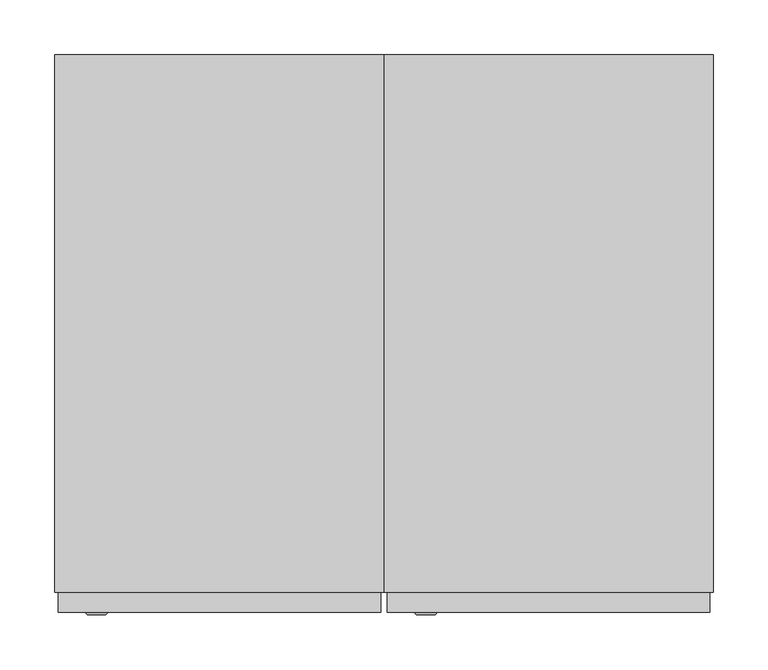
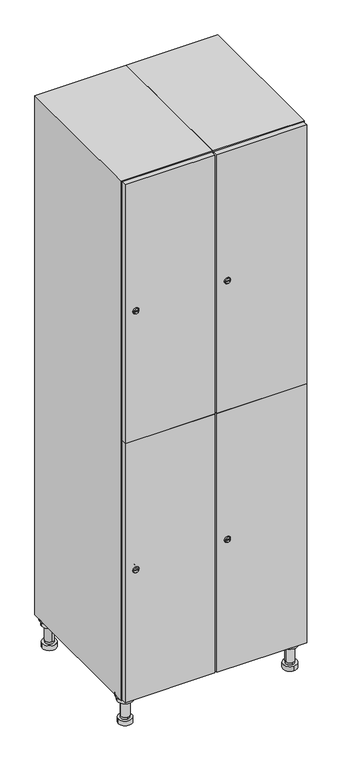
"""IFC4 building model written with IfcOpenShell, lengths in millimetres: furniture geometry."""

from ifc_helpers import new_model, si_unit, point, frame, frame_2d, origin, place, context, project, spatial, polyline, circle_curve, trimmed, segment, composite_curve, outline, extrude, faceted_brep, source, transform, mapped, element, save
from ifc_brep_helpers import plane_surface, cylinder_surface, revolved_surface, advanced_brep


def furniture_13d014a7(model_context):
    return source(origin(), model_context, "Body", "SolidModel", [
        advanced_brep(
        [(370.0, -201.0, 22.0), (370.0, -201.5, 16.0), (370.0, -228.5, 16.0), (370.0, -229.0, 22.0), (356.0, -215.0, 22.0), (384.0, -215.0, 22.0), (370.0, -192.5, 16.0), (370.0, -237.5, 16.0), (370.0, -192.5, 0.0), (370.0, -237.5, 0.0), (384.0, -215.0, 78.0), (356.0, -215.0, 78.0), (395.0, -215.0, 78.0), (345.0, -215.0, 78.0), (400.0, -215.0, 94.0), (340.0, -215.0, 94.0), (345.0, -215.0, 94.0), (395.0, -215.0, 94.0), (400.0, -215.0, 100.0), (340.0, -215.0, 100.0)],
        [
            (0, 1),
            (1, 2, circle_curve(frame((370.0, -215.0, 16.0), z_axis=(0.0, 0.0, 1.0), x_axis=(0.0, -1.0, 0.0)), 13.5)),
            (2, 3),
            (3, 4, circle_curve(frame((370.0, -215.0, 22.0), z_axis=(0.0, 0.0, -1.0), x_axis=(0.0, -1.0, 0.0)), 14.0)),
            (4, 0, circle_curve(frame((370.0, -215.0, 22.0), z_axis=(0.0, 0.0, -1.0), x_axis=(0.0, -1.0, 0.0)), 14.0)),
            (0, 5, circle_curve(frame((370.0, -215.0, 22.0), z_axis=(0.0, 0.0, -1.0), x_axis=(0.0, 1.0, 0.0)), 14.0)),
            (5, 3, circle_curve(frame((370.0, -215.0, 22.0), z_axis=(0.0, 0.0, -1.0), x_axis=(0.0, 1.0, 0.0)), 14.0)),
            (2, 1, circle_curve(frame((370.0, -215.0, 16.0), z_axis=(0.0, 0.0, 1.0), x_axis=(0.0, 1.0, 0.0)), 13.5)),
            (6, 7, circle_curve(frame((370.0, -215.0, 16.0), z_axis=(0.0, 0.0, 1.0), x_axis=(0.0, -1.0, 0.0)), 22.5)),
            (7, 6, circle_curve(frame((370.0, -215.0, 16.0), z_axis=(0.0, 0.0, 1.0), x_axis=(0.0, -1.0, 0.0)), 22.5)),
            (8, 9, circle_curve(frame((370.0, -215.0, 0.0), z_axis=(0.0, 0.0, -1.0), x_axis=(0.0, -1.0, 0.0)), 22.5)),
            (9, 8, circle_curve(frame((370.0, -215.0, 0.0), z_axis=(0.0, 0.0, -1.0), x_axis=(0.0, -1.0, 0.0)), 22.5)),
            (6, 8),
            (9, 7),
            (5, 10),
            (10, 11, circle_curve(frame((370.0, -215.0, 78.0), z_axis=(0.0, 0.0, -1.0), x_axis=(-1.0, 0.0, 0.0)), 14.0)),
            (11, 4),
            (11, 10, circle_curve(frame((370.0, -215.0, 78.0), z_axis=(0.0, 0.0, -1.0), x_axis=(-1.0, 0.0, 0.0)), 14.0)),
            (12, 13, circle_curve(frame((370.0, -215.0, 78.0), z_axis=(0.0, 0.0, -1.0), x_axis=(-1.0, 0.0, 0.0)), 25.0)),
            (13, 12, circle_curve(frame((370.0, -215.0, 78.0), z_axis=(0.0, 0.0, -1.0), x_axis=(-1.0, 0.0, 0.0)), 25.0)),
            (14, 15, circle_curve(frame((370.0, -215.0, 94.0), z_axis=(0.0, 0.0, -1.0), x_axis=(-1.0, 0.0, 0.0)), 30.0)),
            (15, 14, circle_curve(frame((370.0, -215.0, 94.0), z_axis=(0.0, 0.0, -1.0), x_axis=(-1.0, 0.0, 0.0)), 30.0)),
            (16, 17, circle_curve(frame((370.0, -215.0, 94.0), z_axis=(0.0, 0.0, 1.0), x_axis=(-1.0, 0.0, 0.0)), 25.0)),
            (17, 16, circle_curve(frame((370.0, -215.0, 94.0), z_axis=(0.0, 0.0, 1.0), x_axis=(-1.0, 0.0, 0.0)), 25.0)),
            (18, 19, circle_curve(frame((370.0, -215.0, 100.0), z_axis=(0.0, 0.0, 1.0), x_axis=(-1.0, 0.0, 0.0)), 30.0)),
            (19, 18, circle_curve(frame((370.0, -215.0, 100.0), z_axis=(0.0, 0.0, 1.0), x_axis=(-1.0, 0.0, 0.0)), 30.0)),
            (14, 18),
            (19, 15),
            (12, 17),
            (16, 13),
        ],
        [
            revolved_surface(polyline([(370.0, -201.5, 16.0), (370.0, -201.0, 22.0)]), (370.0, -215.0, -146.0), (0.0, 0.0, 1.0)),
            plane_surface(frame((370.0, 0.0, 16.0), z_axis=(0.0, 0.0, 1.0), x_axis=(0.0, -1.0, 0.0))),
            plane_surface(frame((370.0, 0.0, 0.0), z_axis=(0.0, 0.0, -1.0), x_axis=(0.0, -1.0, 0.0))),
            cylinder_surface(frame((370.0, -215.0, 16.0), z_axis=(0.0, 0.0, 1.0), x_axis=(0.0, -1.0, 0.0)), 22.5),
            cylinder_surface(frame((370.0, -215.0, 22.0), z_axis=(0.0, 0.0, -1.0), x_axis=(-1.0, 0.0, 0.0)), 14.0),
            plane_surface(frame((370.0, 0.0, 78.0), z_axis=(0.0, 0.0, -1.0), x_axis=(0.0, -1.0, 0.0))),
            plane_surface(frame((370.0, 0.0, 94.0), z_axis=(0.0, 0.0, -1.0), x_axis=(0.0, -1.0, 0.0))),
            plane_surface(frame((370.0, 0.0, 100.0), z_axis=(0.0, 0.0, 1.0), x_axis=(0.0, -1.0, 0.0))),
            cylinder_surface(frame((370.0, -215.0, 94.0), z_axis=(0.0, 0.0, -1.0), x_axis=(-1.0, 0.0, 0.0)), 30.0),
            cylinder_surface(frame((370.0, -215.0, 78.0), z_axis=(0.0, 0.0, -1.0), x_axis=(-1.0, 0.0, 0.0)), 25.0),
        ],
        [
            (0, [[1, 2, 3, 4, 5]]),
            (0, [[-1, 6, 7, -3, 8]]),
            (1, [[9, 10], [-2, -8]]),
            (2, [[11, 12]]),
            (3, [[-9, 13, -12, 14]]),
            (3, [[-10, -14, -11, -13]]),
            (4, [[15, 16, 17, -4, -7]]),
            (4, [[-15, -6, -5, -17, 18]]),
            (5, [[19, 20], [-16, -18]]),
            (6, [[21, 22], [23, 24]]),
            (7, [[25, 26]]),
            (8, [[-21, 27, -26, 28]]),
            (8, [[-22, -28, -25, -27]]),
            (9, [[-19, 29, -23, 30]]),
            (9, [[-20, -30, -24, -29]]),
        ],
    ),
        advanced_brep(
        [(-170.0, -201.0, 22.0), (-170.0, -201.5, 16.0), (-170.0, -228.5, 16.0), (-170.0, -229.0, 22.0), (-184.0, -215.0, 22.0), (-156.0, -215.0, 22.0), (-147.5, -215.0, 0.0), (-192.5, -215.0, 0.0), (-147.5, -215.0, 16.0), (-192.5, -215.0, 16.0), (-156.0, -215.0, 78.0), (-184.0, -215.0, 78.0), (-145.0, -215.0, 78.0), (-195.0, -215.0, 78.0), (-140.0, -215.0, 94.0), (-200.0, -215.0, 94.0), (-195.0, -215.0, 94.0), (-145.0, -215.0, 94.0), (-140.0, -215.0, 100.0), (-200.0, -215.0, 100.0)],
        [
            (0, 1),
            (1, 2, circle_curve(frame((-170.0, -215.0, 16.0), z_axis=(0.0, 0.0, 1.0), x_axis=(0.0, -1.0, 0.0)), 13.5)),
            (2, 3),
            (3, 4, circle_curve(frame((-170.0, -215.0, 22.0), z_axis=(0.0, 0.0, -1.0), x_axis=(0.0, -1.0, 0.0)), 14.0)),
            (4, 0, circle_curve(frame((-170.0, -215.0, 22.0), z_axis=(0.0, 0.0, -1.0), x_axis=(0.0, -1.0, 0.0)), 14.0)),
            (0, 5, circle_curve(frame((-170.0, -215.0, 22.0), z_axis=(0.0, 0.0, -1.0), x_axis=(0.0, 1.0, 0.0)), 14.0)),
            (5, 3, circle_curve(frame((-170.0, -215.0, 22.0), z_axis=(0.0, 0.0, -1.0), x_axis=(0.0, 1.0, 0.0)), 14.0)),
            (2, 1, circle_curve(frame((-170.0, -215.0, 16.0), z_axis=(0.0, 0.0, 1.0), x_axis=(0.0, 1.0, 0.0)), 13.5)),
            (6, 7, circle_curve(frame((-170.0, -215.0, 0.0), z_axis=(0.0, 0.0, -1.0), x_axis=(-1.0, 0.0, 0.0)), 22.5)),
            (7, 6, circle_curve(frame((-170.0, -215.0, 0.0), z_axis=(0.0, 0.0, -1.0), x_axis=(-1.0, 0.0, 0.0)), 22.5)),
            (8, 9, circle_curve(frame((-170.0, -215.0, 16.0), z_axis=(0.0, 0.0, 1.0), x_axis=(-1.0, 0.0, 0.0)), 22.5)),
            (9, 8, circle_curve(frame((-170.0, -215.0, 16.0), z_axis=(0.0, 0.0, 1.0), x_axis=(-1.0, 0.0, 0.0)), 22.5)),
            (6, 8),
            (9, 7),
            (5, 10),
            (10, 11, circle_curve(frame((-170.0, -215.0, 78.0), z_axis=(0.0, 0.0, -1.0), x_axis=(-1.0, 0.0, 0.0)), 14.0)),
            (11, 4),
            (11, 10, circle_curve(frame((-170.0, -215.0, 78.0), z_axis=(0.0, 0.0, -1.0), x_axis=(-1.0, 0.0, 0.0)), 14.0)),
            (12, 13, circle_curve(frame((-170.0, -215.0, 78.0), z_axis=(0.0, 0.0, -1.0), x_axis=(-1.0, 0.0, 0.0)), 25.0)),
            (13, 12, circle_curve(frame((-170.0, -215.0, 78.0), z_axis=(0.0, 0.0, -1.0), x_axis=(-1.0, 0.0, 0.0)), 25.0)),
            (14, 15, circle_curve(frame((-170.0, -215.0, 94.0), z_axis=(0.0, 0.0, -1.0), x_axis=(-1.0, 0.0, 0.0)), 30.0)),
            (15, 14, circle_curve(frame((-170.0, -215.0, 94.0), z_axis=(0.0, 0.0, -1.0), x_axis=(-1.0, 0.0, 0.0)), 30.0)),
            (16, 17, circle_curve(frame((-170.0, -215.0, 94.0), z_axis=(0.0, 0.0, 1.0), x_axis=(-1.0, 0.0, 0.0)), 25.0)),
            (17, 16, circle_curve(frame((-170.0, -215.0, 94.0), z_axis=(0.0, 0.0, 1.0), x_axis=(-1.0, 0.0, 0.0)), 25.0)),
            (18, 19, circle_curve(frame((-170.0, -215.0, 100.0), z_axis=(0.0, 0.0, 1.0), x_axis=(-1.0, 0.0, 0.0)), 30.0)),
            (19, 18, circle_curve(frame((-170.0, -215.0, 100.0), z_axis=(0.0, 0.0, 1.0), x_axis=(-1.0, 0.0, 0.0)), 30.0)),
            (14, 18),
            (19, 15),
            (12, 17),
            (16, 13),
        ],
        [
            revolved_surface(polyline([(-170.0, -201.5, 16.0), (-170.0, -201.0, 22.0)]), (-170.0, -215.0, -146.0), (0.0, 0.0, 1.0)),
            plane_surface(frame((-170.0, 0.0, 0.0), z_axis=(0.0, 0.0, -1.0), x_axis=(0.0, -1.0, 0.0))),
            plane_surface(frame((-170.0, 0.0, 16.0), z_axis=(0.0, 0.0, 1.0), x_axis=(0.0, -1.0, 0.0))),
            cylinder_surface(frame((-170.0, -215.0, 0.0), z_axis=(0.0, 0.0, -1.0), x_axis=(-1.0, 0.0, 0.0)), 22.5),
            cylinder_surface(frame((-170.0, -215.0, 22.0), z_axis=(0.0, 0.0, -1.0), x_axis=(-1.0, 0.0, 0.0)), 14.0),
            plane_surface(frame((-170.0, 0.0, 78.0), z_axis=(0.0, 0.0, -1.0), x_axis=(0.0, -1.0, 0.0))),
            plane_surface(frame((-170.0, 0.0, 94.0), z_axis=(0.0, 0.0, -1.0), x_axis=(0.0, -1.0, 0.0))),
            plane_surface(frame((-170.0, 0.0, 100.0), z_axis=(0.0, 0.0, 1.0), x_axis=(0.0, -1.0, 0.0))),
            cylinder_surface(frame((-170.0, -215.0, 94.0), z_axis=(0.0, 0.0, -1.0), x_axis=(-1.0, 0.0, 0.0)), 30.0),
            cylinder_surface(frame((-170.0, -215.0, 78.0), z_axis=(0.0, 0.0, -1.0), x_axis=(-1.0, 0.0, 0.0)), 25.0),
        ],
        [
            (0, [[1, 2, 3, 4, 5]]),
            (0, [[-1, 6, 7, -3, 8]]),
            (1, [[9, 10]]),
            (2, [[11, 12], [-2, -8]]),
            (3, [[-9, 13, -12, 14]]),
            (3, [[-10, -14, -11, -13]]),
            (4, [[15, 16, 17, -4, -7]]),
            (4, [[-15, -6, -5, -17, 18]]),
            (5, [[19, 20], [-16, -18]]),
            (6, [[21, 22], [23, 24]]),
            (7, [[25, 26]]),
            (8, [[-21, 27, -26, 28]]),
            (8, [[-22, -28, -25, -27]]),
            (9, [[-19, 29, -23, 30]]),
            (9, [[-20, -30, -24, -29]]),
        ],
    ),
        advanced_brep(
        [(383.5, 215.0, 16.0), (384.0, 215.0, 22.0), (356.0, 215.0, 22.0), (356.5, 215.0, 16.0), (392.5, 215.0, 0.0), (347.5, 215.0, 0.0), (392.5, 215.0, 16.0), (347.5, 215.0, 16.0), (384.0, 215.0, 78.0), (356.0, 215.0, 78.0), (395.0, 215.0, 78.0), (345.0, 215.0, 78.0), (400.0, 215.0, 94.0), (340.0, 215.0, 94.0), (345.0, 215.0, 94.0), (395.0, 215.0, 94.0), (400.0, 215.0, 100.0), (340.0, 215.0, 100.0)],
        [
            (0, 1),
            (1, 2, circle_curve(frame((370.0, 215.0, 22.0), z_axis=(0.0, 0.0, -1.0), x_axis=(-1.0, 0.0, 0.0)), 14.0)),
            (2, 3),
            (3, 0, circle_curve(frame((370.0, 215.0, 16.0), z_axis=(0.0, 0.0, 1.0), x_axis=(-1.0, 0.0, 0.0)), 13.5)),
            (0, 3, circle_curve(frame((370.0, 215.0, 16.0), z_axis=(0.0, 0.0, 1.0), x_axis=(1.0, 0.0, 0.0)), 13.5)),
            (2, 1, circle_curve(frame((370.0, 215.0, 22.0), z_axis=(0.0, 0.0, -1.0), x_axis=(1.0, 0.0, 0.0)), 14.0)),
            (4, 5, circle_curve(frame((370.0, 215.0, 0.0), z_axis=(0.0, 0.0, -1.0), x_axis=(-1.0, 0.0, 0.0)), 22.5)),
            (5, 4, circle_curve(frame((370.0, 215.0, 0.0), z_axis=(0.0, 0.0, -1.0), x_axis=(-1.0, 0.0, 0.0)), 22.5)),
            (6, 7, circle_curve(frame((370.0, 215.0, 16.0), z_axis=(0.0, 0.0, 1.0), x_axis=(-1.0, 0.0, 0.0)), 22.5)),
            (7, 6, circle_curve(frame((370.0, 215.0, 16.0), z_axis=(0.0, 0.0, 1.0), x_axis=(-1.0, 0.0, 0.0)), 22.5)),
            (4, 6),
            (7, 5),
            (1, 8),
            (8, 9, circle_curve(frame((370.0, 215.0, 78.0), z_axis=(0.0, 0.0, -1.0), x_axis=(-1.0, 0.0, 0.0)), 14.0)),
            (9, 2),
            (9, 8, circle_curve(frame((370.0, 215.0, 78.0), z_axis=(0.0, 0.0, -1.0), x_axis=(-1.0, 0.0, 0.0)), 14.0)),
            (10, 11, circle_curve(frame((370.0, 215.0, 78.0), z_axis=(0.0, 0.0, -1.0), x_axis=(-1.0, 0.0, 0.0)), 25.0)),
            (11, 10, circle_curve(frame((370.0, 215.0, 78.0), z_axis=(0.0, 0.0, -1.0), x_axis=(-1.0, 0.0, 0.0)), 25.0)),
            (12, 13, circle_curve(frame((370.0, 215.0, 94.0), z_axis=(0.0, 0.0, -1.0), x_axis=(-1.0, 0.0, 0.0)), 30.0)),
            (13, 12, circle_curve(frame((370.0, 215.0, 94.0), z_axis=(0.0, 0.0, -1.0), x_axis=(-1.0, 0.0, 0.0)), 30.0)),
            (14, 15, circle_curve(frame((370.0, 215.0, 94.0), z_axis=(0.0, 0.0, 1.0), x_axis=(-1.0, 0.0, 0.0)), 25.0)),
            (15, 14, circle_curve(frame((370.0, 215.0, 94.0), z_axis=(0.0, 0.0, 1.0), x_axis=(-1.0, 0.0, 0.0)), 25.0)),
            (16, 17, circle_curve(frame((370.0, 215.0, 100.0), z_axis=(0.0, 0.0, 1.0), x_axis=(-1.0, 0.0, 0.0)), 30.0)),
            (17, 16, circle_curve(frame((370.0, 215.0, 100.0), z_axis=(0.0, 0.0, 1.0), x_axis=(-1.0, 0.0, 0.0)), 30.0)),
            (12, 16),
            (17, 13),
            (10, 15),
            (14, 11),
        ],
        [
            revolved_surface(polyline([(383.5, 215.0, 16.0), (384.0, 215.0, 22.0)]), (370.0, 215.0, -146.0), (0.0, 0.0, 1.0)),
            plane_surface(frame((370.0, 0.0, 0.0), z_axis=(0.0, 0.0, -1.0), x_axis=(0.0, -1.0, 0.0))),
            plane_surface(frame((370.0, 0.0, 16.0), z_axis=(0.0, 0.0, 1.0), x_axis=(0.0, -1.0, 0.0))),
            cylinder_surface(frame((370.0, 215.0, 0.0), z_axis=(0.0, 0.0, -1.0), x_axis=(-1.0, 0.0, 0.0)), 22.5),
            cylinder_surface(frame((370.0, 215.0, 22.0), z_axis=(0.0, 0.0, -1.0), x_axis=(-1.0, 0.0, 0.0)), 14.0),
            plane_surface(frame((370.0, 0.0, 78.0), z_axis=(0.0, 0.0, -1.0), x_axis=(0.0, -1.0, 0.0))),
            plane_surface(frame((370.0, 0.0, 94.0), z_axis=(0.0, 0.0, -1.0), x_axis=(0.0, -1.0, 0.0))),
            plane_surface(frame((370.0, 0.0, 100.0), z_axis=(0.0, 0.0, 1.0), x_axis=(0.0, -1.0, 0.0))),
            cylinder_surface(frame((370.0, 215.0, 94.0), z_axis=(0.0, 0.0, -1.0), x_axis=(-1.0, 0.0, 0.0)), 30.0),
            cylinder_surface(frame((370.0, 215.0, 78.0), z_axis=(0.0, 0.0, -1.0), x_axis=(-1.0, 0.0, 0.0)), 25.0),
        ],
        [
            (0, [[1, 2, 3, 4]]),
            (0, [[-1, 5, -3, 6]]),
            (1, [[7, 8]]),
            (2, [[9, 10], [-4, -5]]),
            (3, [[-7, 11, -10, 12]]),
            (3, [[-8, -12, -9, -11]]),
            (4, [[13, 14, 15, -2]]),
            (4, [[-13, -6, -15, 16]]),
            (5, [[17, 18], [-14, -16]]),
            (6, [[19, 20], [21, 22]]),
            (7, [[23, 24]]),
            (8, [[-19, 25, -24, 26]]),
            (8, [[-20, -26, -23, -25]]),
            (9, [[-17, 27, -21, 28]]),
            (9, [[-18, -28, -22, -27]]),
        ],
    ),
        advanced_brep(
        [(-156.5, 215.0, 16.0), (-156.0, 215.0, 22.0), (-170.0, 201.0, 22.0), (-184.0, 215.0, 22.0), (-183.5, 215.0, 16.0), (-170.0, 229.0, 22.0), (-147.5, 215.0, 0.0), (-192.5, 215.0, 0.0), (-147.5, 215.0, 16.0), (-192.5, 215.0, 16.0), (-170.0, 229.0, 78.0), (-170.0, 201.0, 78.0), (-145.0, 215.0, 78.0), (-195.0, 215.0, 78.0), (-140.0, 215.0, 94.0), (-200.0, 215.0, 94.0), (-195.0, 215.0, 94.0), (-145.0, 215.0, 94.0), (-140.0, 215.0, 100.0), (-200.0, 215.0, 100.0)],
        [
            (0, 1),
            (1, 2, circle_curve(frame((-170.0, 215.0, 22.0), z_axis=(0.0, 0.0, -1.0), x_axis=(-1.0, 0.0, 0.0)), 14.0)),
            (2, 3, circle_curve(frame((-170.0, 215.0, 22.0), z_axis=(0.0, 0.0, -1.0), x_axis=(-1.0, 0.0, 0.0)), 14.0)),
            (3, 4),
            (4, 0, circle_curve(frame((-170.0, 215.0, 16.0), z_axis=(0.0, 0.0, 1.0), x_axis=(-1.0, 0.0, 0.0)), 13.5)),
            (0, 4, circle_curve(frame((-170.0, 215.0, 16.0), z_axis=(0.0, 0.0, 1.0), x_axis=(1.0, 0.0, 0.0)), 13.5)),
            (3, 5, circle_curve(frame((-170.0, 215.0, 22.0), z_axis=(0.0, 0.0, -1.0), x_axis=(1.0, 0.0, 0.0)), 14.0)),
            (5, 1, circle_curve(frame((-170.0, 215.0, 22.0), z_axis=(0.0, 0.0, -1.0), x_axis=(1.0, 0.0, 0.0)), 14.0)),
            (6, 7, circle_curve(frame((-170.0, 215.0, 0.0), z_axis=(0.0, 0.0, -1.0), x_axis=(-1.0, 0.0, 0.0)), 22.5)),
            (7, 6, circle_curve(frame((-170.0, 215.0, 0.0), z_axis=(0.0, 0.0, -1.0), x_axis=(-1.0, 0.0, 0.0)), 22.5)),
            (8, 9, circle_curve(frame((-170.0, 215.0, 16.0), z_axis=(0.0, 0.0, 1.0), x_axis=(-1.0, 0.0, 0.0)), 22.5)),
            (9, 8, circle_curve(frame((-170.0, 215.0, 16.0), z_axis=(0.0, 0.0, 1.0), x_axis=(-1.0, 0.0, 0.0)), 22.5)),
            (6, 8),
            (9, 7),
            (10, 5),
            (2, 11),
            (11, 10, circle_curve(frame((-170.0, 215.0, 78.0), z_axis=(0.0, 0.0, -1.0), x_axis=(0.0, -1.0, 0.0)), 14.0)),
            (10, 11, circle_curve(frame((-170.0, 215.0, 78.0), z_axis=(0.0, 0.0, -1.0), x_axis=(0.0, -1.0, 0.0)), 14.0)),
            (12, 13, circle_curve(frame((-170.0, 215.0, 78.0), z_axis=(0.0, 0.0, -1.0), x_axis=(-1.0, 0.0, 0.0)), 25.0)),
            (13, 12, circle_curve(frame((-170.0, 215.0, 78.0), z_axis=(0.0, 0.0, -1.0), x_axis=(-1.0, 0.0, 0.0)), 25.0)),
            (14, 15, circle_curve(frame((-170.0, 215.0, 94.0), z_axis=(0.0, 0.0, -1.0), x_axis=(-1.0, 0.0, 0.0)), 30.0)),
            (15, 14, circle_curve(frame((-170.0, 215.0, 94.0), z_axis=(0.0, 0.0, -1.0), x_axis=(-1.0, 0.0, 0.0)), 30.0)),
            (16, 17, circle_curve(frame((-170.0, 215.0, 94.0), z_axis=(0.0, 0.0, 1.0), x_axis=(-1.0, 0.0, 0.0)), 25.0)),
            (17, 16, circle_curve(frame((-170.0, 215.0, 94.0), z_axis=(0.0, 0.0, 1.0), x_axis=(-1.0, 0.0, 0.0)), 25.0)),
            (18, 19, circle_curve(frame((-170.0, 215.0, 100.0), z_axis=(0.0, 0.0, 1.0), x_axis=(-1.0, 0.0, 0.0)), 30.0)),
            (19, 18, circle_curve(frame((-170.0, 215.0, 100.0), z_axis=(0.0, 0.0, 1.0), x_axis=(-1.0, 0.0, 0.0)), 30.0)),
            (14, 18),
            (19, 15),
            (12, 17),
            (16, 13),
        ],
        [
            revolved_surface(polyline([(-156.5, 215.0, 16.0), (-156.0, 215.0, 22.0)]), (-170.0, 215.0, -146.0), (0.0, 0.0, 1.0)),
            plane_surface(frame((-170.0, 0.0, 0.0), z_axis=(0.0, 0.0, -1.0), x_axis=(0.0, -1.0, 0.0))),
            plane_surface(frame((-170.0, 0.0, 16.0), z_axis=(0.0, 0.0, 1.0), x_axis=(0.0, -1.0, 0.0))),
            cylinder_surface(frame((-170.0, 215.0, 0.0), z_axis=(0.0, 0.0, -1.0), x_axis=(-1.0, 0.0, 0.0)), 22.5),
            cylinder_surface(frame((-170.0, 215.0, 78.0), z_axis=(0.0, 0.0, 1.0), x_axis=(0.0, -1.0, 0.0)), 14.0),
            plane_surface(frame((-170.0, 0.0, 78.0), z_axis=(0.0, 0.0, -1.0), x_axis=(0.0, -1.0, 0.0))),
            plane_surface(frame((-170.0, 0.0, 94.0), z_axis=(0.0, 0.0, -1.0), x_axis=(0.0, -1.0, 0.0))),
            plane_surface(frame((-170.0, 0.0, 100.0), z_axis=(0.0, 0.0, 1.0), x_axis=(0.0, -1.0, 0.0))),
            cylinder_surface(frame((-170.0, 215.0, 94.0), z_axis=(0.0, 0.0, -1.0), x_axis=(-1.0, 0.0, 0.0)), 30.0),
            cylinder_surface(frame((-170.0, 215.0, 78.0), z_axis=(0.0, 0.0, -1.0), x_axis=(-1.0, 0.0, 0.0)), 25.0),
        ],
        [
            (0, [[1, 2, 3, 4, 5]]),
            (0, [[-1, 6, -4, 7, 8]]),
            (1, [[9, 10]]),
            (2, [[11, 12], [-5, -6]]),
            (3, [[-9, 13, -12, 14]]),
            (3, [[-10, -14, -11, -13]]),
            (4, [[15, -7, -3, 16, 17]]),
            (4, [[-15, 18, -16, -2, -8]]),
            (5, [[19, 20], [-17, -18]]),
            (6, [[21, 22], [23, 24]]),
            (7, [[25, 26]]),
            (8, [[-21, 27, -26, 28]]),
            (8, [[-22, -28, -25, -27]]),
            (9, [[-19, 29, -23, 30]]),
            (9, [[-20, -30, -24, -29]]),
        ],
    ),
        extrude(outline(composite_curve([segment(trimmed(circle_curve(frame_2d((551.5, 111.2010534)), 7.0), [point((558.5, 111.2010534))], [point((544.5, 111.2010534))], False, "CARTESIAN"), True, "CONTINUOUS"), segment(polyline([(544.5, 111.2010534), (544.5, 139.2010534)]), True, "CONTINUOUS"), segment(trimmed(circle_curve(frame_2d((551.5, 139.2010534)), 7.0), [point((544.5, 139.2010534))], [point((558.5, 139.2010534))], False, "CARTESIAN"), True, "CONTINUOUS"), segment(polyline([(558.5, 139.2010534), (558.5, 111.2010534)]), True, "CONTINUOUS")], self_intersect=False)), frame((0.0, -245.0, 0.0), z_axis=(0.0, 1.0, 0.0), x_axis=(0.0, 0.0, 1.0)), (0.0, 0.0, 1.0), 2.0),
        advanced_brep(
        [(146.5, -265.2, 551.5), (129.5, -265.2, 551.5), (133.0, -265.2, 550.25), (133.0, -265.2, 552.75), (143.0, -265.2, 552.75), (143.0, -265.2, 550.25), (148.5, -263.0, 551.5), (127.5, -263.0, 551.5), (133.0, -263.0, 552.75), (133.0, -263.0, 550.25), (143.0, -263.0, 550.25), (143.0, -263.0, 552.75)],
        [
            (0, 1, circle_curve(frame((138.0, -265.2, 551.5), z_axis=(0.0, -1.0, 0.0), x_axis=(1.0, 0.0, 0.0)), 8.5)),
            (1, 0, circle_curve(frame((138.0, -265.2, 551.5), z_axis=(0.0, -1.0, 0.0), x_axis=(-1.0, 0.0, 0.0)), 8.5)),
            (2, 3),
            (3, 4),
            (4, 5),
            (5, 2),
            (6, 7, circle_curve(frame((138.0, -263.0, 551.5), z_axis=(0.0, 1.0, 0.0), x_axis=(-1.0, 0.0, 0.0)), 10.5)),
            (7, 6, circle_curve(frame((138.0, -263.0, 551.5), z_axis=(0.0, 1.0, 0.0), x_axis=(1.0, 0.0, 0.0)), 10.5)),
            (8, 9),
            (9, 10),
            (10, 11),
            (11, 8),
            (0, 6),
            (7, 1),
            (8, 3),
            (2, 9),
            (11, 4),
            (10, 5),
        ],
        [
            plane_surface(frame((138.0, -265.2, 551.5), z_axis=(0.0, -1.0, 0.0), x_axis=(0.0, 0.0, 1.0))),
            plane_surface(frame((138.0, -263.0, 551.5), z_axis=(0.0, 1.0, 0.0), x_axis=(0.0, 0.0, 1.0))),
            revolved_surface(polyline([(146.5, -265.2, 551.5), (148.5, -263.0, 551.5)]), (138.0, -274.55, 551.5), (0.0, 1.0, 0.0)),
            revolved_surface(polyline([(129.5, -265.2, 551.5), (127.5, -263.0, 551.5)]), (138.0, -274.55, 551.5), (0.0, 1.0, 0.0)),
            plane_surface(frame((133.0, -263.0, 550.25), z_axis=(1.0, 0.0, 0.0), x_axis=(0.0, -1.0, 0.0))),
            plane_surface(frame((133.0, -263.0, 552.75), z_axis=(0.0, 0.0, -1.0), x_axis=(0.0, -1.0, 0.0))),
            plane_surface(frame((143.0, -263.0, 552.75), z_axis=(-1.0, 0.0, 0.0), x_axis=(0.0, -1.0, 0.0))),
            plane_surface(frame((143.0, -263.0, 550.25), z_axis=(0.0, 0.0, 1.0), x_axis=(0.0, -1.0, 0.0))),
        ],
        [
            (0, [[1, 2], [3, 4, 5, 6]]),
            (1, [[7, 8], [9, 10, 11, 12]]),
            (2, [[-1, 13, -8, 14]]),
            (3, [[-2, -14, -7, -13]]),
            (4, [[15, -3, 16, -9]]),
            (5, [[-15, -12, 17, -4]]),
            (6, [[-17, -11, 18, -5]]),
            (7, [[-16, -6, -18, -10]]),
        ],
    ),
        extrude(outline(composite_curve([segment(trimmed(circle_curve(frame_2d((1448.5, 111.2010534)), 7.0), [point((1455.5, 111.2010534))], [point((1441.5, 111.2010534))], False, "CARTESIAN"), True, "CONTINUOUS"), segment(polyline([(1441.5, 111.2010534), (1441.5, 139.2010534)]), True, "CONTINUOUS"), segment(trimmed(circle_curve(frame_2d((1448.5, 139.2010534)), 7.0), [point((1441.5, 139.2010534))], [point((1455.5, 139.2010534))], False, "CARTESIAN"), True, "CONTINUOUS"), segment(polyline([(1455.5, 139.2010534), (1455.5, 111.2010534)]), True, "CONTINUOUS")], self_intersect=False)), frame((0.0, -245.0, 0.0), z_axis=(0.0, 1.0, 0.0), x_axis=(0.0, 0.0, 1.0)), (0.0, 0.0, 1.0), 2.0),
        advanced_brep(
        [(146.5, -265.2, 1448.5), (129.5, -265.2, 1448.5), (133.0, -265.2, 1447.25), (133.0, -265.2, 1449.75), (143.0, -265.2, 1449.75), (143.0, -265.2, 1447.25), (148.5, -263.0, 1448.5), (127.5, -263.0, 1448.5), (133.0, -263.0, 1449.75), (133.0, -263.0, 1447.25), (143.0, -263.0, 1447.25), (143.0, -263.0, 1449.75)],
        [
            (0, 1, circle_curve(frame((138.0, -265.2, 1448.5), z_axis=(0.0, -1.0, 0.0), x_axis=(1.0, 0.0, 0.0)), 8.5)),
            (1, 0, circle_curve(frame((138.0, -265.2, 1448.5), z_axis=(0.0, -1.0, 0.0), x_axis=(-1.0, 0.0, 0.0)), 8.5)),
            (2, 3),
            (3, 4),
            (4, 5),
            (5, 2),
            (6, 7, circle_curve(frame((138.0, -263.0, 1448.5), z_axis=(0.0, 1.0, 0.0), x_axis=(-1.0, 0.0, 0.0)), 10.5)),
            (7, 6, circle_curve(frame((138.0, -263.0, 1448.5), z_axis=(0.0, 1.0, 0.0), x_axis=(1.0, 0.0, 0.0)), 10.5)),
            (8, 9),
            (9, 10),
            (10, 11),
            (11, 8),
            (0, 6),
            (7, 1),
            (8, 3),
            (2, 9),
            (11, 4),
            (10, 5),
        ],
        [
            plane_surface(frame((138.0, -265.2, 1448.5), z_axis=(0.0, -1.0, 0.0), x_axis=(0.0, 0.0, 1.0))),
            plane_surface(frame((138.0, -263.0, 1448.5), z_axis=(0.0, 1.0, 0.0), x_axis=(0.0, 0.0, 1.0))),
            revolved_surface(polyline([(146.5, -265.2, 1448.5), (148.5, -263.0, 1448.5)]), (138.0, -274.55, 1448.5), (0.0, 1.0, 0.0)),
            revolved_surface(polyline([(129.5, -265.2, 1448.5), (127.5, -263.0, 1448.5)]), (138.0, -274.55, 1448.5), (0.0, 1.0, 0.0)),
            plane_surface(frame((133.0, -263.0, 1447.25), z_axis=(1.0, 0.0, 0.0), x_axis=(0.0, -1.0, 0.0))),
            plane_surface(frame((133.0, -263.0, 1449.75), z_axis=(0.0, 0.0, -1.0), x_axis=(0.0, -1.0, 0.0))),
            plane_surface(frame((143.0, -263.0, 1449.75), z_axis=(-1.0, 0.0, 0.0), x_axis=(0.0, -1.0, 0.0))),
            plane_surface(frame((143.0, -263.0, 1447.25), z_axis=(0.0, 0.0, 1.0), x_axis=(0.0, -1.0, 0.0))),
        ],
        [
            (0, [[1, 2], [3, 4, 5, 6]]),
            (1, [[7, 8], [9, 10, 11, 12]]),
            (2, [[-1, 13, -8, 14]]),
            (3, [[-2, -14, -7, -13]]),
            (4, [[15, -3, 16, -9]]),
            (5, [[-15, -12, 17, -4]]),
            (6, [[-17, -11, 18, -5]]),
            (7, [[-16, -6, -18, -10]]),
        ],
    ),
        extrude(outline(polyline([(103.0, -263.0), (103.0, -245.0), (397.0, -245.0), (397.0, -263.0), (103.0, -263.0)])), frame((0.0, 0.0, 103.0), z_axis=(0.0, 0.0, 1.0), x_axis=(1.0, 0.0, 0.0)), (0.0, 0.0, 1.0), 896.5),
        extrude(outline(polyline([(397.0, -245.0), (397.0, -263.0), (103.0, -263.0), (103.0, -245.0), (397.0, -245.0)])), frame((0.0, 0.0, 1000.5), z_axis=(0.0, 0.0, 1.0), x_axis=(1.0, 0.0, 0.0)), (0.0, 0.0, 1.0), 896.5),
        extrude(outline(polyline([(382.0, 227.0), (382.0, -227.0), (118.0, -227.0), (118.0, 227.0), (382.0, 227.0)])), frame((0.0, 0.0, 991.0), z_axis=(0.0, 0.0, 1.0), x_axis=(1.0, 0.0, 0.0)), (0.0, 0.0, 1.0), 18.0),
        faceted_brep([(400.0, -245.0, 100.0), (400.0, -245.0, 1900.0), (100.0, -245.0, 1900.0), (100.0, -245.0, 100.0), (382.0, -245.0, 1882.0), (382.0, -245.0, 118.0), (118.0, -245.0, 118.0), (118.0, -245.0, 1882.0), (400.0, 245.0, 100.0), (100.0, 245.0, 100.0), (400.0, 245.0, 1900.0), (100.0, 245.0, 1900.0), (382.0, 227.0, 1882.0), (382.0, 227.0, 118.0), (100.0, 245.0, 1882.0), (118.0, 227.0, 1882.0), (118.0, 227.0, 118.0)], [[[0, 1, 2, 3], [4, 5, 6, 7]], [[8, 0, 3, 9]], [[1, 0, 8, 10]], [[1, 10, 11, 2]], [[4, 12, 13, 5]], [[9, 3, 2, 11, 14]], [[10, 8, 9, 14, 11]], [[12, 15, 16, 13]], [[15, 7, 6, 16]], [[4, 7, 15, 12]], [[6, 5, 13, 16]]]),
        extrude(outline(composite_curve([segment(trimmed(circle_curve(frame_2d((551.5, -188.7989466)), 7.0), [point((558.5, -188.7989466))], [point((544.5, -188.7989466))], False, "CARTESIAN"), True, "CONTINUOUS"), segment(polyline([(544.5, -188.7989466), (544.5, -160.7989466)]), True, "CONTINUOUS"), segment(trimmed(circle_curve(frame_2d((551.5, -160.7989466)), 7.0), [point((544.5, -160.7989466))], [point((558.5, -160.7989466))], False, "CARTESIAN"), True, "CONTINUOUS"), segment(polyline([(558.5, -160.7989466), (558.5, -188.7989466)]), True, "CONTINUOUS")], self_intersect=False)), frame((0.0, -245.0, 0.0), z_axis=(0.0, 1.0, 0.0), x_axis=(0.0, 0.0, 1.0)), (0.0, 0.0, 1.0), 2.0),
        advanced_brep(
        [(-153.5, -265.2, 551.5), (-170.5, -265.2, 551.5), (-167.0, -265.2, 550.25), (-167.0, -265.2, 552.75), (-157.0, -265.2, 552.75), (-157.0, -265.2, 550.25), (-151.5, -263.0, 551.5), (-172.5, -263.0, 551.5), (-167.0, -263.0, 552.75), (-167.0, -263.0, 550.25), (-157.0, -263.0, 550.25), (-157.0, -263.0, 552.75)],
        [
            (0, 1, circle_curve(frame((-162.0, -265.2, 551.5), z_axis=(0.0, -1.0, 0.0), x_axis=(1.0, 0.0, 0.0)), 8.5)),
            (1, 0, circle_curve(frame((-162.0, -265.2, 551.5), z_axis=(0.0, -1.0, 0.0), x_axis=(-1.0, 0.0, 0.0)), 8.5)),
            (2, 3),
            (3, 4),
            (4, 5),
            (5, 2),
            (6, 7, circle_curve(frame((-162.0, -263.0, 551.5), z_axis=(0.0, 1.0, 0.0), x_axis=(-1.0, 0.0, 0.0)), 10.5)),
            (7, 6, circle_curve(frame((-162.0, -263.0, 551.5), z_axis=(0.0, 1.0, 0.0), x_axis=(1.0, 0.0, 0.0)), 10.5)),
            (8, 9),
            (9, 10),
            (10, 11),
            (11, 8),
            (0, 6),
            (7, 1),
            (8, 3),
            (2, 9),
            (11, 4),
            (10, 5),
        ],
        [
            plane_surface(frame((-162.0, -265.2, 551.5), z_axis=(0.0, -1.0, 0.0), x_axis=(0.0, 0.0, 1.0))),
            plane_surface(frame((-162.0, -263.0, 551.5), z_axis=(0.0, 1.0, 0.0), x_axis=(0.0, 0.0, 1.0))),
            revolved_surface(polyline([(-153.5, -265.2, 551.5), (-151.5, -263.0, 551.5)]), (-162.0, -274.55, 551.5), (0.0, 1.0, 0.0)),
            revolved_surface(polyline([(-170.5, -265.2, 551.5), (-172.5, -263.0, 551.5)]), (-162.0, -274.55, 551.5), (0.0, 1.0, 0.0)),
            plane_surface(frame((-167.0, -263.0, 550.25), z_axis=(1.0, 0.0, 0.0), x_axis=(0.0, -1.0, 0.0))),
            plane_surface(frame((-167.0, -263.0, 552.75), z_axis=(0.0, 0.0, -1.0), x_axis=(0.0, -1.0, 0.0))),
            plane_surface(frame((-157.0, -263.0, 552.75), z_axis=(-1.0, 0.0, 0.0), x_axis=(0.0, -1.0, 0.0))),
            plane_surface(frame((-157.0, -263.0, 550.25), z_axis=(0.0, 0.0, 1.0), x_axis=(0.0, -1.0, 0.0))),
        ],
        [
            (0, [[1, 2], [3, 4, 5, 6]]),
            (1, [[7, 8], [9, 10, 11, 12]]),
            (2, [[-1, 13, -8, 14]]),
            (3, [[-2, -14, -7, -13]]),
            (4, [[15, -3, 16, -9]]),
            (5, [[-15, -12, 17, -4]]),
            (6, [[-17, -11, 18, -5]]),
            (7, [[-16, -6, -18, -10]]),
        ],
    ),
        extrude(outline(composite_curve([segment(trimmed(circle_curve(frame_2d((1448.5, -188.7989466)), 7.0), [point((1455.5, -188.7989466))], [point((1441.5, -188.7989466))], False, "CARTESIAN"), True, "CONTINUOUS"), segment(polyline([(1441.5, -188.7989466), (1441.5, -160.7989466)]), True, "CONTINUOUS"), segment(trimmed(circle_curve(frame_2d((1448.5, -160.7989466)), 7.0), [point((1441.5, -160.7989466))], [point((1455.5, -160.7989466))], False, "CARTESIAN"), True, "CONTINUOUS"), segment(polyline([(1455.5, -160.7989466), (1455.5, -188.7989466)]), True, "CONTINUOUS")], self_intersect=False)), frame((0.0, -245.0, 0.0), z_axis=(0.0, 1.0, 0.0), x_axis=(0.0, 0.0, 1.0)), (0.0, 0.0, 1.0), 2.0),
        advanced_brep(
        [(-153.5, -265.2, 1448.5), (-170.5, -265.2, 1448.5), (-167.0, -265.2, 1447.25), (-167.0, -265.2, 1449.75), (-157.0, -265.2, 1449.75), (-157.0, -265.2, 1447.25), (-151.5, -263.0, 1448.5), (-172.5, -263.0, 1448.5), (-167.0, -263.0, 1449.75), (-167.0, -263.0, 1447.25), (-157.0, -263.0, 1447.25), (-157.0, -263.0, 1449.75)],
        [
            (0, 1, circle_curve(frame((-162.0, -265.2, 1448.5), z_axis=(0.0, -1.0, 0.0), x_axis=(1.0, 0.0, 0.0)), 8.5)),
            (1, 0, circle_curve(frame((-162.0, -265.2, 1448.5), z_axis=(0.0, -1.0, 0.0), x_axis=(-1.0, 0.0, 0.0)), 8.5)),
            (2, 3),
            (3, 4),
            (4, 5),
            (5, 2),
            (6, 7, circle_curve(frame((-162.0, -263.0, 1448.5), z_axis=(0.0, 1.0, 0.0), x_axis=(-1.0, 0.0, 0.0)), 10.5)),
            (7, 6, circle_curve(frame((-162.0, -263.0, 1448.5), z_axis=(0.0, 1.0, 0.0), x_axis=(1.0, 0.0, 0.0)), 10.5)),
            (8, 9),
            (9, 10),
            (10, 11),
            (11, 8),
            (0, 6),
            (7, 1),
            (8, 3),
            (2, 9),
            (11, 4),
            (10, 5),
        ],
        [
            plane_surface(frame((-162.0, -265.2, 1448.5), z_axis=(0.0, -1.0, 0.0), x_axis=(0.0, 0.0, 1.0))),
            plane_surface(frame((-162.0, -263.0, 1448.5), z_axis=(0.0, 1.0, 0.0), x_axis=(0.0, 0.0, 1.0))),
            revolved_surface(polyline([(-153.5, -265.2, 1448.5), (-151.5, -263.0, 1448.5)]), (-162.0, -274.55, 1448.5), (0.0, 1.0, 0.0)),
            revolved_surface(polyline([(-170.5, -265.2, 1448.5), (-172.5, -263.0, 1448.5)]), (-162.0, -274.55, 1448.5), (0.0, 1.0, 0.0)),
            plane_surface(frame((-167.0, -263.0, 1447.25), z_axis=(1.0, 0.0, 0.0), x_axis=(0.0, -1.0, 0.0))),
            plane_surface(frame((-167.0, -263.0, 1449.75), z_axis=(0.0, 0.0, -1.0), x_axis=(0.0, -1.0, 0.0))),
            plane_surface(frame((-157.0, -263.0, 1449.75), z_axis=(-1.0, 0.0, 0.0), x_axis=(0.0, -1.0, 0.0))),
            plane_surface(frame((-157.0, -263.0, 1447.25), z_axis=(0.0, 0.0, 1.0), x_axis=(0.0, -1.0, 0.0))),
        ],
        [
            (0, [[1, 2], [3, 4, 5, 6]]),
            (1, [[7, 8], [9, 10, 11, 12]]),
            (2, [[-1, 13, -8, 14]]),
            (3, [[-2, -14, -7, -13]]),
            (4, [[15, -3, 16, -9]]),
            (5, [[-15, -12, 17, -4]]),
            (6, [[-17, -11, 18, -5]]),
            (7, [[-16, -6, -18, -10]]),
        ],
    ),
        extrude(outline(polyline([(-197.0, -263.0), (-197.0, -245.0), (97.0, -245.0), (97.0, -263.0), (-197.0, -263.0)])), frame((0.0, 0.0, 103.0), z_axis=(0.0, 0.0, 1.0), x_axis=(1.0, 0.0, 0.0)), (0.0, 0.0, 1.0), 896.5),
        extrude(outline(polyline([(97.0, -245.0), (97.0, -263.0), (-197.0, -263.0), (-197.0, -245.0), (97.0, -245.0)])), frame((0.0, 0.0, 1000.5), z_axis=(0.0, 0.0, 1.0), x_axis=(1.0, 0.0, 0.0)), (0.0, 0.0, 1.0), 896.5),
        extrude(outline(polyline([(82.0, 227.0), (82.0, -227.0), (-182.0, -227.0), (-182.0, 227.0), (82.0, 227.0)])), frame((0.0, 0.0, 991.0), z_axis=(0.0, 0.0, 1.0), x_axis=(1.0, 0.0, 0.0)), (0.0, 0.0, 1.0), 18.0),
        faceted_brep([(100.0, -245.0, 100.0), (100.0, -245.0, 1900.0), (-200.0, -245.0, 1900.0), (-200.0, -245.0, 100.0), (82.0, -245.0, 1882.0), (82.0, -245.0, 118.0), (-182.0, -245.0, 118.0), (-182.0, -245.0, 1882.0), (100.0, 245.0, 100.0), (-200.0, 245.0, 100.0), (100.0, 245.0, 1900.0), (-200.0, 245.0, 1900.0), (82.0, 227.0, 1882.0), (82.0, 227.0, 118.0), (-200.0, 245.0, 1882.0), (-182.0, 227.0, 1882.0), (-182.0, 227.0, 118.0)], [[[0, 1, 2, 3], [4, 5, 6, 7]], [[8, 0, 3, 9]], [[1, 0, 8, 10]], [[1, 10, 11, 2]], [[4, 12, 13, 5]], [[9, 3, 2, 11, 14]], [[10, 8, 9, 14, 11]], [[12, 15, 16, 13]], [[15, 7, 6, 16]], [[4, 7, 15, 12]], [[6, 5, 13, 16]]]),
    ])


if __name__ == "__main__":
    model = new_model("IFC4")
    model_context = context("Model", 3, world=origin())
    ifc_project = project(units=[si_unit("LENGTHUNIT", "METRE", prefix="MILLI")], contexts=[model_context])
    site = spatial("IfcSite", under=ifc_project)
    building = spatial("IfcBuilding", under=site)
    placement = place(None, origin())
    furniture_shape = furniture_13d014a7(model_context)
    element("IfcFurniture", 1, at=placement, inside=building, context=model_context, shape_type="MappedRepresentation", body=[
        mapped(furniture_shape, transform((0.0, 0.0, 0.0), x_axis=(1.0, 0.0, 0.0), y_axis=(0.0, 1.0, 0.0), z_axis=(0.0, 0.0, 1.0))),
    ])
    save(model, "model.ifc")
